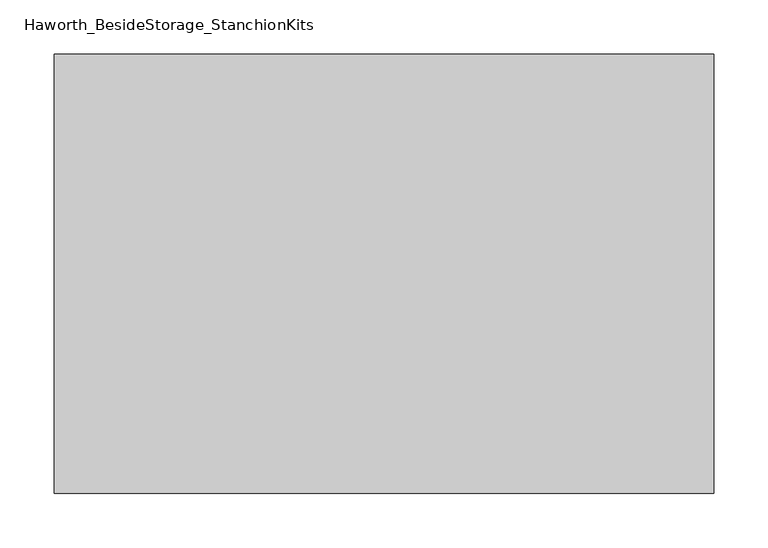
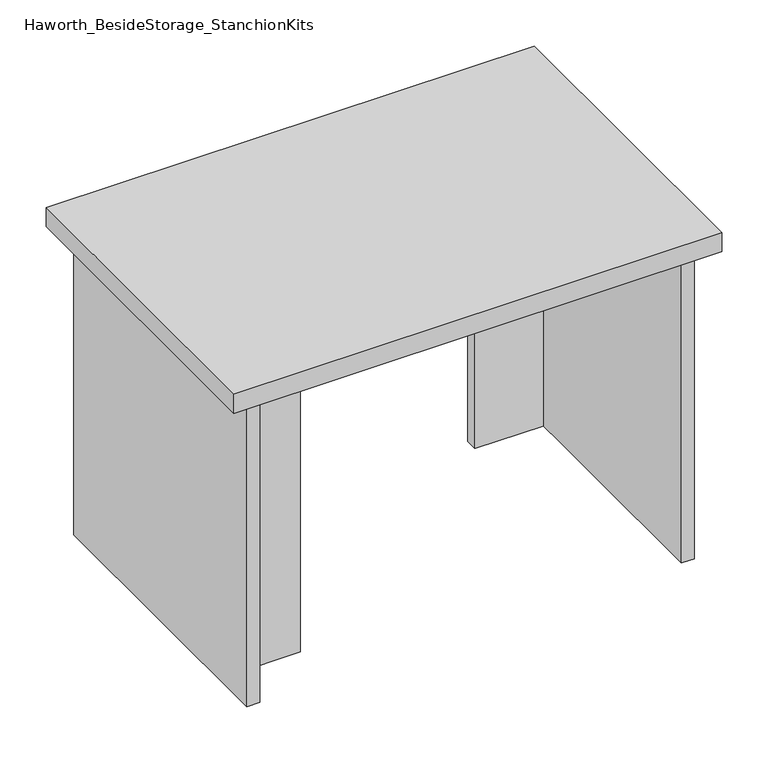
"""IFC4 building model written with IfcOpenShell, lengths in millimetres: furniture geometry, Haworth_BesideStorage_StanchionKits."""

from ifc_helpers import new_model, si_unit, frame, origin, place, context, project, spatial, polyline, outline, extrude, source, transform, mapped, element, save


def haworth_besidestorage_stanchionkits_942698c4(model_context):
    return source(origin(), model_context, "Body", "SweptSolid", [
        extrude(outline(polyline([(466.725, 0.0), (466.725, -406.4), (-142.875, -406.4), (-142.875, 0.0), (466.725, 0.0)])), frame((0.0, 0.0, 838.2), z_axis=(0.0, 0.0, 1.0), x_axis=(1.0, 0.0, 0.0)), (0.0, 0.0, 1.0), 25.4),
        extrude(outline(polyline([(339.725, -76.2), (425.45, -76.2), (425.45, -92.075), (339.725, -92.075), (339.725, -76.2)])), frame((0.0, 0.0, 431.8), z_axis=(0.0, 0.0, 1.0), x_axis=(1.0, 0.0, 0.0)), (0.0, 0.0, 1.0), 406.4),
        extrude(outline(polyline([(-15.875, -314.325), (-15.875, -330.2), (-101.6, -330.2), (-101.6, -314.325), (-15.875, -314.325)])), frame((0.0, 0.0, 431.8), z_axis=(0.0, 0.0, 1.0), x_axis=(1.0, 0.0, 0.0)), (0.0, 0.0, 1.0), 406.4),
        extrude(outline(polyline([(441.325, -390.525), (425.45, -390.525), (425.45, -15.875), (441.325, -15.875), (441.325, -390.525)])), frame((0.0, 0.0, 431.8), z_axis=(0.0, 0.0, 1.0), x_axis=(1.0, 0.0, 0.0)), (0.0, 0.0, 1.0), 406.4),
        extrude(outline(polyline([(-101.6, -390.525), (-117.475, -390.525), (-117.475, -15.875), (-101.6, -15.875), (-101.6, -390.525)])), frame((0.0, 0.0, 431.8), z_axis=(0.0, 0.0, 1.0), x_axis=(1.0, 0.0, 0.0)), (0.0, 0.0, 1.0), 406.4),
    ])


if __name__ == "__main__":
    model = new_model("IFC4")
    model_context = context("Model", 3, world=origin())
    ifc_project = project(units=[si_unit("LENGTHUNIT", "METRE", prefix="MILLI")], contexts=[model_context])
    site = spatial("IfcSite", under=ifc_project)
    building = spatial("IfcBuilding", under=site)
    placement = place(None, origin())
    haworth_besidestorage_stanchionkits_shape = haworth_besidestorage_stanchionkits_942698c4(model_context)
    element("IfcFurniture", 1, ObjectType="Haworth_BesideStorage_StanchionKits", at=placement, inside=building, context=model_context, shape_type="MappedRepresentation", body=[
        mapped(haworth_besidestorage_stanchionkits_shape, transform((0.0, 0.0, 0.0), x_axis=(1.0, 0.0, 0.0), y_axis=(0.0, 1.0, 0.0), z_axis=(0.0, 0.0, 1.0))),
    ])
    save(model, "model.ifc")
